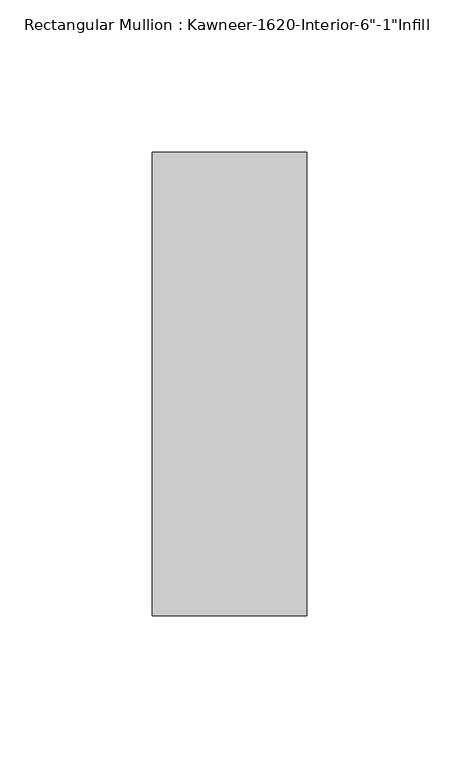
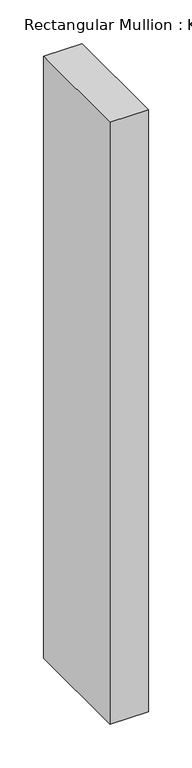
"""IFC4 building model written with IfcOpenShell, lengths in millimetres: member geometry."""

import ifcopenshell
import ifcopenshell.guid

model = None  # the IFC model being written
_history = None  # IfcOwnerHistory: only IFC2X3 demands one
_inside = {}  # id of a spatial element -> (the spatial element, [elements in it])
_under = {}  # id of a project, library or spatial element -> (it, [spatial elements below it])
_declared = {}  # id of a project -> (the project, [libraries it declares])
_typed = {}  # id of a type object -> (the type object, [elements of that type])
_made_of = {}  # id of a material, layer set ... -> (it, [elements and type objects made of it])


def new_model(schema):
    """Start an empty IFC model of exactly this schema.

    Asked for "IFC4X3", IfcOpenShell would pick the latest addendum, in which some entities
    have other attributes; the version numbers below select the first issue.
    IFC2X3 requires an IfcOwnerHistory on every rooted entity: one is made here for all.
    """
    global model, _history
    if schema == "IFC4X3":
        model = ifcopenshell.file(schema_version=(4, 3, 0, 0))
    else:
        model = ifcopenshell.file(schema=schema)
    _inside.clear()
    _under.clear()
    _declared.clear()
    _typed.clear()
    _made_of.clear()
    _history = None
    if model.schema == "IFC2X3":
        org = make("IfcOrganization", Name="unknown")
        user = make(
            "IfcPersonAndOrganization",
            ThePerson=make("IfcPerson", FamilyName="unknown"),
            TheOrganization=org,
        )
        app = make(
            "IfcApplication",
            ApplicationDeveloper=org,
            Version="unknown",
            ApplicationFullName="unknown",
            ApplicationIdentifier="unknown",
        )
        _history = make(
            "IfcOwnerHistory",
            OwningUser=user,
            OwningApplication=app,
            ChangeAction="ADDED",
            CreationDate=0,
        )
    return model


def make(cls, **values):
    """One entity of the class cls with the attributes given. An attribute that is None is left unset."""
    return model.create_entity(
        cls, **{name: value for name, value in values.items() if value is not None}
    )


def rooted(cls, **values):
    """An entity with a GlobalId (a new one), such as an element, a storey or a relation."""
    return make(cls, GlobalId=ifcopenshell.guid.new(), OwnerHistory=_history, **values)


def si_unit(unit_type, name, prefix=None):
    """IfcSIUnit, for example si_unit("LENGTHUNIT", "METRE", prefix="MILLI")."""
    return make("IfcSIUnit", UnitType=unit_type, Prefix=prefix, Name=name)


def assignment(units):
    """IfcUnitAssignment: the units of a project."""
    return None if units is None else make("IfcUnitAssignment", Units=units)


def point(xyz):
    """IfcCartesianPoint."""
    return None if xyz is None else make("IfcCartesianPoint", Coordinates=xyz)


def direction(xyz):
    """IfcDirection."""
    return None if xyz is None else make("IfcDirection", DirectionRatios=xyz)


def frame(location, z_axis=None, x_axis=None):
    """IfcAxis2Placement3D, a coordinate frame: its origin and axes. An axis left out is left unset."""
    return make(
        "IfcAxis2Placement3D",
        Location=point(location),
        Axis=direction(z_axis),
        RefDirection=direction(x_axis),
    )


def origin():
    """The frame at (0, 0, 0) with its axes left unset."""
    return frame((0.0, 0.0, 0.0))


def place(relative_to, where):
    """IfcLocalPlacement: puts the frame where relative to a parent placement (None: the world)."""
    return make(
        "IfcLocalPlacement", PlacementRelTo=relative_to, RelativePlacement=where
    )


def context(
    kind, dimensions, precision=None, world=None, true_north=None, identifier=None
):
    """IfcGeometricRepresentationContext, for example the 3D "Model" context."""
    return make(
        "IfcGeometricRepresentationContext",
        ContextIdentifier=identifier,
        ContextType=kind,
        CoordinateSpaceDimension=dimensions,
        Precision=precision,
        WorldCoordinateSystem=world,
        TrueNorth=true_north,
    )


def project(units=None, contexts=None):
    """IfcProject with its units and contexts."""
    return rooted(
        "IfcProject",
        Name="project",
        RepresentationContexts=contexts,
        UnitsInContext=assignment(units),
    )


def spatial(cls, under=None, at=None, **own):
    """A site, building, storey or space (cls), placed at a placement, below another one or the project."""
    s = rooted(cls, ObjectPlacement=at, **own)
    if under is not None:
        _under.setdefault(under.id(), (under, []))[1].append(s)
    return s


def polyline(points):
    """IfcPolyline through the points."""
    return make("IfcPolyline", Points=[point(p) for p in points])


def outline(outer, holes=None, kind="AREA"):
    """IfcArbitraryClosedProfileDef: a profile drawn as a closed curve; with holes, ...WithVoids."""
    if holes is None:
        return make("IfcArbitraryClosedProfileDef", ProfileType=kind, OuterCurve=outer)
    return make(
        "IfcArbitraryProfileDefWithVoids",
        ProfileType=kind,
        OuterCurve=outer,
        InnerCurves=holes,
    )


def extrude(swept, where, along, depth):
    """IfcExtrudedAreaSolid: the profile swept, set in the frame where, extruded along a direction by depth."""
    return make(
        "IfcExtrudedAreaSolid",
        SweptArea=swept,
        Position=where,
        ExtrudedDirection=direction(along),
        Depth=depth,
    )


def shape(context_of_items, identifier, shape_type, items):
    """IfcShapeRepresentation: the items that make up one representation, for example the "Body"."""
    return make(
        "IfcShapeRepresentation",
        ContextOfItems=context_of_items,
        RepresentationIdentifier=identifier,
        RepresentationType=shape_type,
        Items=items,
    )


def source(mapping_origin, context_of_items, identifier, shape_type, items):
    """IfcRepresentationMap: a shape defined once, which mapped items show again and again."""
    return make(
        "IfcRepresentationMap",
        MappingOrigin=mapping_origin,
        MappedRepresentation=shape(context_of_items, identifier, shape_type, items),
    )


def transform(
    local_origin,
    x_axis=None,
    y_axis=None,
    z_axis=None,
    scale=None,
    scale2=None,
    scale3=None,
    uniform=True,
):
    """IfcCartesianTransformationOperator3D, or its non-uniform kind. x_axis, y_axis, z_axis: its Axis1, 2, 3."""
    if uniform:
        return make(
            "IfcCartesianTransformationOperator3D",
            Axis1=direction(x_axis),
            Axis2=direction(y_axis),
            LocalOrigin=point(local_origin),
            Scale=scale,
            Axis3=direction(z_axis),
        )
    return make(
        "IfcCartesianTransformationOperator3DnonUniform",
        Axis1=direction(x_axis),
        Axis2=direction(y_axis),
        LocalOrigin=point(local_origin),
        Scale=scale,
        Axis3=direction(z_axis),
        Scale2=scale2,
        Scale3=scale3,
    )


def mapped(mapping_source, mapping_target):
    """IfcMappedItem: shows the shape of a source again, moved by a transform."""
    return make(
        "IfcMappedItem", MappingSource=mapping_source, MappingTarget=mapping_target
    )


def made_of(thing, what):
    """Note that an element or type object is made of a material, layer set ...; save() writes the relation."""
    if what is not None:
        _made_of.setdefault(what.id(), (what, []))[1].append(thing)
    return thing


def element(
    cls,
    number,
    at=None,
    inside=None,
    cuts=None,
    type_object=None,
    material=None,
    context=None,
    identifier="Body",
    shape_type=None,
    held_by="IfcProductDefinitionShape",
    body=None,
    shapes=None,
    **own,
):
    """One element of the class cls, such as IfcWall. Its Tag is "e" and its number.

    at: its placement. inside: the storey or other place that contains it. cuts: it is an
    opening in that element (IfcRelVoidsElement). A single representation is given by context,
    identifier, shape_type and body (its items); several are given by shapes. held_by: the class
    of the entity that holds the representations. save() writes the other relations.
    """
    e = rooted(cls, Tag="e%d" % number, ObjectPlacement=at, **own)
    if body is not None:
        shapes = [shape(context, identifier, shape_type, body)]
    if shapes is not None:
        e.Representation = make(held_by, Representations=shapes)
    if inside is not None:
        _inside.setdefault(inside.id(), (inside, []))[1].append(e)
    if cuts is not None:
        rooted(
            "IfcRelVoidsElement", RelatingBuildingElement=cuts, RelatedOpeningElement=e
        )
    if type_object is not None:
        _typed.setdefault(type_object.id(), (type_object, []))[1].append(e)
    return made_of(e, material)


def aggregate(whole, parts):
    """IfcRelAggregates: a whole, such as a stair, and the parts it consists of."""
    return rooted("IfcRelAggregates", RelatingObject=whole, RelatedObjects=parts)


def save(model, path):
    """Write the relations noted so far, then the file.

    IfcRelAggregates (storeys below a building ...), IfcRelContainedInSpatialStructure (elements
    in a storey), IfcRelDefinesByType, IfcRelAssociatesMaterial and IfcRelDeclares: one each for
    every whole, place, type object, material and project.
    """
    for whole, parts in _under.values():
        aggregate(whole, parts)
    for where, things in _inside.values():
        rooted(
            "IfcRelContainedInSpatialStructure",
            RelatedElements=things,
            RelatingStructure=where,
        )
    for kind, things in _typed.values():
        rooted("IfcRelDefinesByType", RelatedObjects=things, RelatingType=kind)
    for what, things in _made_of.values():
        rooted("IfcRelAssociatesMaterial", RelatedObjects=things, RelatingMaterial=what)
    for by, libraries in _declared.values():
        rooted("IfcRelDeclares", RelatingContext=by, RelatedDefinitions=libraries)
    model.write(path)


def member_e56ea910(model_context):
    return source(origin(), model_context, "Body", "SweptSolid", [
        extrude(outline(polyline([(25.4, -114.3), (-25.4, -114.3), (-25.4, 38.1), (25.4, 38.1), (25.4, -114.3)])), frame((0.0, 0.0, -841.375), z_axis=(0.0, 0.0, 1.0), x_axis=(1.0, 0.0, 0.0)), (0.0, 0.0, 1.0), 841.375),
    ])


if __name__ == "__main__":
    model = new_model("IFC4")
    model_context = context("Model", 3, world=origin())
    ifc_project = project(units=[si_unit("LENGTHUNIT", "METRE", prefix="MILLI")], contexts=[model_context])
    site = spatial("IfcSite", under=ifc_project)
    building = spatial("IfcBuilding", under=site)
    placement = place(None, origin())
    member_shape = member_e56ea910(model_context)
    element("IfcMember", 1, ObjectType="Rectangular Mullion : Kawneer-1620-Interior-6\"-1\"Infill", at=placement, inside=building, context=model_context, shape_type="MappedRepresentation", body=[
        mapped(member_shape, transform((0.0, 0.0, 0.0), x_axis=(1.0, 0.0, 0.0), y_axis=(0.0, 1.0, 0.0), z_axis=(0.0, 0.0, 1.0))),
    ])
    save(model, "model.ifc")
